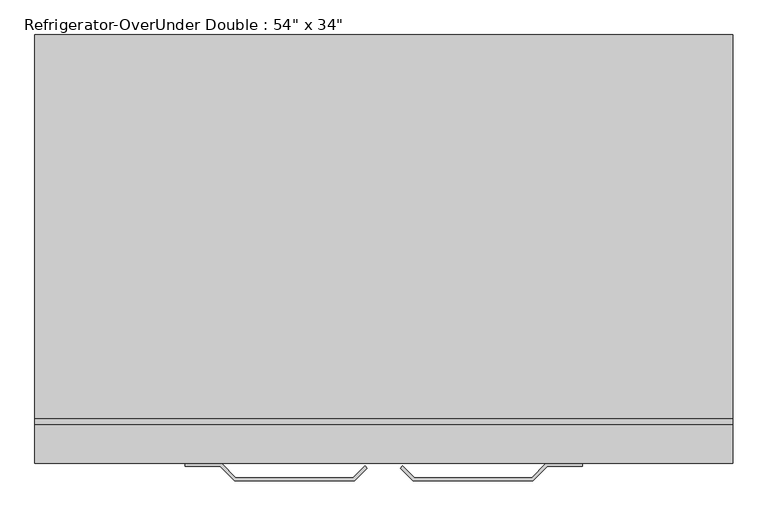
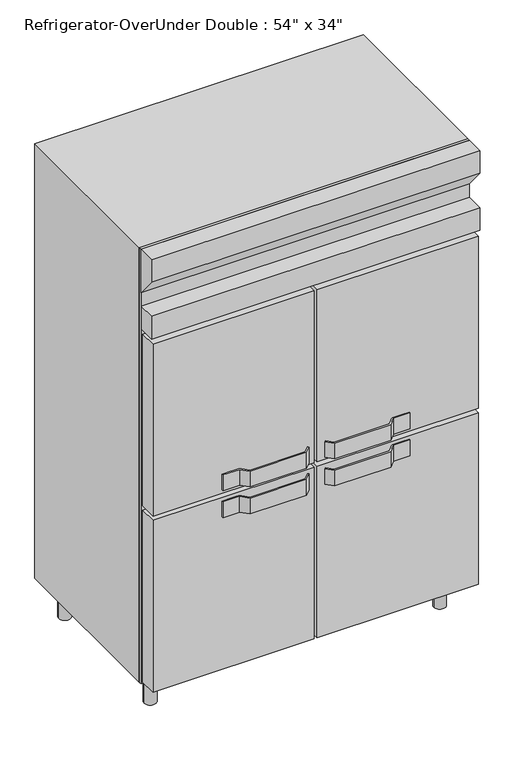
"""IFC4 building model written with IfcOpenShell, lengths in millimetres: proxy geometry."""

from ifc_helpers import new_model, si_unit, point, frame, frame_2d, origin, origin_with_axes, place, context, project, spatial, polyline, circle_curve, trimmed, segment, composite_curve, outline, extrude, source, transform, mapped, element, save


def proxy_5ef9f5cb(model_context):
    return source(origin(), model_context, "Body", "SweptSolid", [
        extrude(outline(polyline([(-449.8043926, -467.1724098), (-449.8043926, -460.8224098), (-377.3241365, -460.8224098), (-348.7491365, -489.3974098), (-115.1534355, -489.3974098), (-91.6287707, -465.872745), (-87.1386426, -470.362873), (-112.5231794, -495.7474098), (-351.3793926, -495.7474098), (-379.9543926, -467.1724098), (-449.8043926, -467.1724098)])), frame((0.0, 0.0, 962.025), z_axis=(0.0, 0.0, 1.0), x_axis=(1.0, 0.0, 0.0)), (0.0, 0.0, 1.0), 69.85),
        extrude(outline(polyline([(-15.9735146, -465.872745), (7.5511503, -489.3974098), (241.1468512, -489.3974098), (269.7218512, -460.8224098), (342.2021073, -460.8224098), (342.2021073, -467.1724098), (272.3521073, -467.1724098), (243.7771073, -495.7474098), (4.9208941, -495.7474098), (-20.4636426, -470.362873), (-15.9735146, -465.872745)])), frame((0.0, 0.0, 962.025), z_axis=(0.0, 0.0, 1.0), x_axis=(1.0, 0.0, 0.0)), (0.0, 0.0, 1.0), 69.85),
        extrude(outline(polyline([(-379.9543926, -467.1724098), (-449.8043926, -467.1724098), (-449.8043926, -460.8224098), (-377.3241365, -460.8224098), (-348.7491365, -489.3974098), (-115.1534355, -489.3974098), (-91.6287707, -465.872745), (-87.1386426, -470.362873), (-112.5231794, -495.7474098), (-351.3793926, -495.7474098), (-379.9543926, -467.1724098)])), frame((0.0, 0.0, 841.375), z_axis=(0.0, 0.0, 1.0), x_axis=(1.0, 0.0, 0.0)), (0.0, 0.0, 1.0), 69.85),
        extrude(outline(polyline([(272.3521073, -467.1724098), (243.7771073, -495.7474098), (4.9208941, -495.7474098), (-20.4636426, -470.362873), (-15.9735146, -465.872745), (7.5511503, -489.3974098), (241.1468512, -489.3974098), (269.7218512, -460.8224098), (342.2021073, -460.8224098), (342.2021073, -467.1724098), (272.3521073, -467.1724098)])), frame((0.0, 0.0, 841.375), z_axis=(0.0, 0.0, 1.0), x_axis=(1.0, 0.0, 0.0)), (0.0, 0.0, 1.0), 69.85),
        extrude(outline(polyline([(-460.8224098, 1993.9), (-460.8224098, 2095.5), (-384.6224098, 2095.5), (-384.6224098, 1901.7448723), (-460.8224098, 1993.9)])), frame((-749.1261426, 0.0, 0.0), z_axis=(1.0, 0.0, 0.0), x_axis=(0.0, 1.0, 0.0)), (0.0, 0.0, 1.0), 1390.65),
        extrude(outline(polyline([(641.5238574, -384.6224098), (-749.1261426, -384.6224098), (-749.1261426, -371.9224098), (641.5238574, -371.9224098), (641.5238574, -384.6224098)])), frame((0.0, 0.0, 152.4), z_axis=(0.0, 0.0, 1.0), x_axis=(1.0, 0.0, 0.0)), (0.0, 0.0, 1.0), 1943.1),
        extrude(outline(composite_curve([segment(trimmed(circle_curve(frame_2d((-666.5761426, 317.0525902)), 25.4), [point((-691.9761426, 317.0525902))], [point((-641.1761426, 317.0525902))], False, "CARTESIAN"), True, "CONTINUOUS"), segment(trimmed(circle_curve(frame_2d((-666.5761426, 317.0525902)), 25.4), [point((-641.1761426, 317.0525902))], [point((-691.9761426, 317.0525902))], False, "CARTESIAN"), True, "CONTINUOUS")], self_intersect=False)), origin_with_axes(), (0.0, 0.0, 1.0), 152.4),
        extrude(outline(composite_curve([segment(trimmed(circle_curve(frame_2d((558.9738574, 317.0525902)), 25.4), [point((533.5738574, 317.0525902))], [point((584.3738574, 317.0525902))], False, "CARTESIAN"), True, "CONTINUOUS"), segment(trimmed(circle_curve(frame_2d((558.9738574, 317.0525902)), 25.4), [point((584.3738574, 317.0525902))], [point((533.5738574, 317.0525902))], False, "CARTESIAN"), True, "CONTINUOUS")], self_intersect=False)), origin_with_axes(), (0.0, 0.0, 1.0), 152.4),
        extrude(outline(composite_curve([segment(trimmed(circle_curve(frame_2d((-666.5761426, -308.4224098)), 25.4), [point((-691.9761426, -308.4224098))], [point((-641.1761426, -308.4224098))], False, "CARTESIAN"), True, "CONTINUOUS"), segment(trimmed(circle_curve(frame_2d((-666.5761426, -308.4224098)), 25.4), [point((-641.1761426, -308.4224098))], [point((-691.9761426, -308.4224098))], False, "CARTESIAN"), True, "CONTINUOUS")], self_intersect=False)), origin_with_axes(), (0.0, 0.0, 1.0), 152.4),
        extrude(outline(composite_curve([segment(trimmed(circle_curve(frame_2d((558.9738574, -308.4224098)), 25.4), [point((533.5738574, -308.4224098))], [point((584.3738574, -308.4224098))], False, "CARTESIAN"), True, "CONTINUOUS"), segment(trimmed(circle_curve(frame_2d((558.9738574, -308.4224098)), 25.4), [point((584.3738574, -308.4224098))], [point((533.5738574, -308.4224098))], False, "CARTESIAN"), True, "CONTINUOUS")], self_intersect=False)), origin_with_axes(), (0.0, 0.0, 1.0), 152.4),
        extrude(outline(polyline([(-60.1511426, -460.8224098), (-742.7761426, -460.8224098), (-742.7761426, -384.6224098), (-60.1511426, -384.6224098), (-60.1511426, -460.8224098)])), frame((0.0, 0.0, 946.15), z_axis=(0.0, 0.0, 1.0), x_axis=(1.0, 0.0, 0.0)), (0.0, 0.0, 1.0), 768.35),
        extrude(outline(polyline([(-60.1511426, -460.8224098), (-742.7761426, -460.8224098), (-742.7761426, -384.6224098), (-60.1511426, -384.6224098), (-60.1511426, -460.8224098)])), frame((0.0, 0.0, 158.75), z_axis=(0.0, 0.0, 1.0), x_axis=(1.0, 0.0, 0.0)), (0.0, 0.0, 1.0), 768.35),
        extrude(outline(polyline([(641.5238574, -460.8224098), (-749.1261426, -460.8224098), (-749.1261426, -384.6224098), (641.5238574, -384.6224098), (641.5238574, -460.8224098)])), frame((0.0, 0.0, 1739.9), z_axis=(0.0, 0.0, 1.0), x_axis=(1.0, 0.0, 0.0)), (0.0, 0.0, 1.0), 101.6),
        extrude(outline(polyline([(635.1738574, -460.8224098), (-47.4511426, -460.8224098), (-47.4511426, -384.6224098), (635.1738574, -384.6224098), (635.1738574, -460.8224098)])), frame((0.0, 0.0, 946.15), z_axis=(0.0, 0.0, 1.0), x_axis=(1.0, 0.0, 0.0)), (0.0, 0.0, 1.0), 768.35),
        extrude(outline(polyline([(635.1738574, -460.8224098), (-47.4511426, -460.8224098), (-47.4511426, -384.6224098), (635.1738574, -384.6224098), (635.1738574, -460.8224098)])), frame((0.0, 0.0, 158.75), z_axis=(0.0, 0.0, 1.0), x_axis=(1.0, 0.0, 0.0)), (0.0, 0.0, 1.0), 768.35),
        extrude(outline(polyline([(616.1238574, 367.8525902), (-723.7261426, 367.8525902), (-723.7261426, 393.2525902), (616.1238574, 393.2525902), (616.1238574, 367.8525902)])), frame((0.0, 0.0, 152.4), z_axis=(0.0, 0.0, 1.0), x_axis=(1.0, 0.0, 0.0)), (0.0, 0.0, 1.0), 1917.7),
        extrude(outline(polyline([(2095.5, 641.5238574), (2095.5, -749.1261426), (152.4, -749.1261426), (152.4, 641.5238574), (2095.5, 641.5238574)]), holes=[polyline([(885.2296875, 577.0576332), (194.2703125, 577.0576332), (194.2703125, -683.4173668), (885.2296875, -683.4173668), (885.2296875, 577.0576332)]), polyline([(1678.9796875, 576.4363574), (988.0203125, 576.4363574), (988.0203125, -684.0386426), (1678.9796875, -684.0386426), (1678.9796875, 576.4363574)])]), frame((0.0, -371.9224098, 0.0), z_axis=(0.0, 1.0, 0.0), x_axis=(0.0, 0.0, 1.0)), (0.0, 0.0, 1.0), 765.175),
    ])


if __name__ == "__main__":
    model = new_model("IFC4")
    model_context = context("Model", 3, world=origin())
    ifc_project = project(units=[si_unit("LENGTHUNIT", "METRE", prefix="MILLI")], contexts=[model_context])
    site = spatial("IfcSite", under=ifc_project)
    building = spatial("IfcBuilding", under=site)
    placement = place(None, origin())
    proxy_shape = proxy_5ef9f5cb(model_context)
    element("IfcBuildingElementProxy", 1, Name="Refrigerator-OverUnder Double : 54\" x 34\"", ObjectType="Refrigerator-OverUnder Double : 54\" x 34\"", at=placement, inside=building, context=model_context, shape_type="MappedRepresentation", body=[
        mapped(proxy_shape, transform((0.0, 0.0, 0.0), x_axis=(1.0, 0.0, 0.0), y_axis=(0.0, 1.0, 0.0), z_axis=(0.0, 0.0, 1.0))),
    ])
    save(model, "model.ifc")
